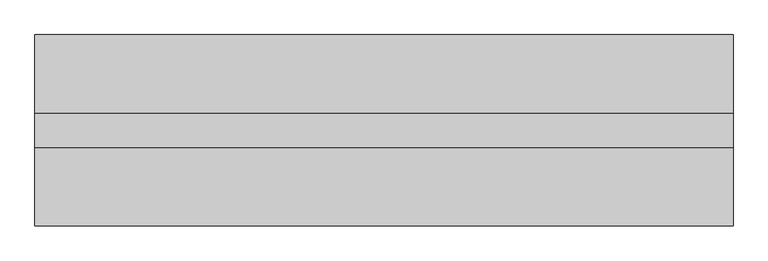
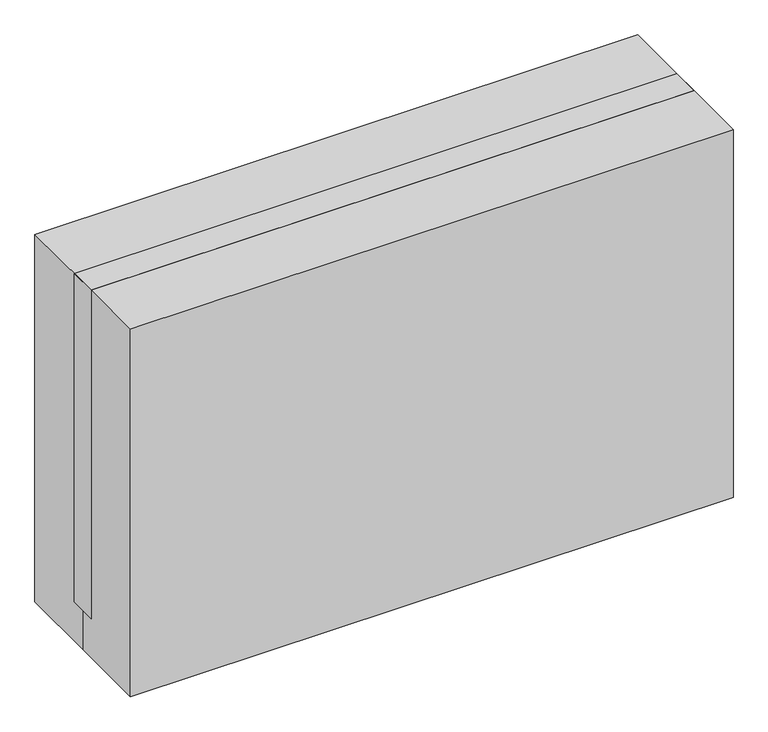
"""IFC4 building model written with IfcOpenShell, lengths in millimetres: proxy geometry."""

from ifc_helpers import new_model, si_unit, frame, origin, origin_with_axes, place, context, project, spatial, polyline, outline, extrude, source, transform, mapped, element, save


def specialty_equipment_95e12a90(model_context):
    return source(origin(), model_context, "Body", "SweptSolid", [
        extrude(outline(polyline([(1016.0, 787.4), (1016.0, -787.4), (107.95, -787.4), (107.95, 787.4), (1016.0, 787.4)]), holes=[polyline([(990.6, 762.0), (133.35, 762.0), (133.35, -762.0), (990.6, -762.0), (990.6, 762.0)])]), frame((0.0, -38.1, 0.0), z_axis=(0.0, 1.0, 0.0), x_axis=(0.0, 0.0, 1.0)), (0.0, 0.0, 1.0), 76.2),
        extrude(outline(polyline([(762.0, -12.7), (-762.0, -12.7), (-762.0, 38.1), (762.0, 38.1), (762.0, -12.7)])), frame((0.0, 0.0, 133.35), z_axis=(0.0, 0.0, 1.0), x_axis=(1.0, 0.0, 0.0)), (0.0, 0.0, 1.0), 857.25),
        extrude(outline(polyline([(-787.4, 215.9), (787.4, 215.9), (787.4, -215.9), (-787.4, -215.9), (-787.4, 0.0), (-787.4, 215.9)])), origin_with_axes(), (0.0, 0.0, 1.0), 1016.0),
    ])


if __name__ == "__main__":
    model = new_model("IFC4")
    model_context = context("Model", 3, world=origin())
    ifc_project = project(units=[si_unit("LENGTHUNIT", "METRE", prefix="MILLI")], contexts=[model_context])
    site = spatial("IfcSite", under=ifc_project)
    building = spatial("IfcBuilding", under=site)
    placement = place(None, origin())
    specialty_equipment_shape = specialty_equipment_95e12a90(model_context)
    element("IfcBuildingElementProxy", 1, Name="Specialty Equipment", at=placement, inside=building, context=model_context, shape_type="MappedRepresentation", body=[
        mapped(specialty_equipment_shape, transform((0.0, 0.0, 0.0), x_axis=(1.0, 0.0, 0.0), y_axis=(0.0, 1.0, 0.0), z_axis=(0.0, 0.0, 1.0))),
    ])
    save(model, "model.ifc")
